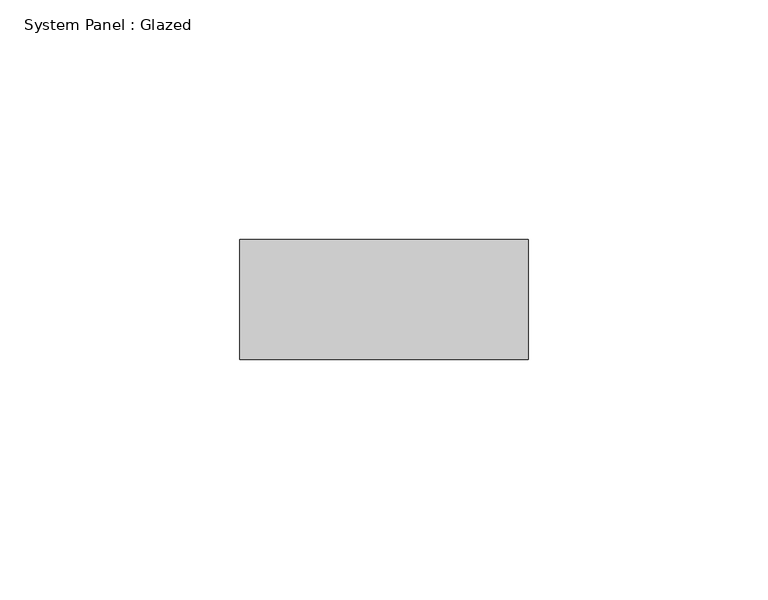
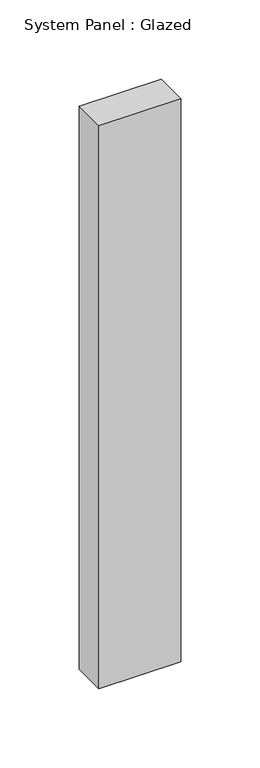
"""IFC4 building model written with IfcOpenShell, lengths in millimetres: plate geometry, System Panel : Glazed."""

from ifc_helpers import new_model, si_unit, origin, origin_with_axes, place, context, project, spatial, polyline, outline, extrude, source, transform, mapped, element, save


def system_panel_glazed_cbcfd4d4(model_context):
    return source(origin(), model_context, "Body", "SweptSolid", [
        extrude(outline(polyline([(30.0000002, 24.5), (-30.0000002, 24.5), (-30.0000002, 49.5), (30.0000002, 49.5), (30.0000002, 24.5)])), origin_with_axes(), (0.0, 0.0, 1.0), 434.9869155),
    ])


if __name__ == "__main__":
    model = new_model("IFC4")
    model_context = context("Model", 3, world=origin())
    ifc_project = project(units=[si_unit("LENGTHUNIT", "METRE", prefix="MILLI")], contexts=[model_context])
    site = spatial("IfcSite", under=ifc_project)
    building = spatial("IfcBuilding", under=site)
    placement = place(None, origin())
    system_panel_glazed_shape = system_panel_glazed_cbcfd4d4(model_context)
    element("IfcPlate", 1, ObjectType="System Panel : Glazed", at=placement, inside=building, context=model_context, shape_type="MappedRepresentation", body=[
        mapped(system_panel_glazed_shape, transform((0.0, 0.0, 0.0), x_axis=(1.0, 0.0, 0.0), y_axis=(0.0, 1.0, 0.0), z_axis=(0.0, 0.0, 1.0))),
    ])
    save(model, "model.ifc")
